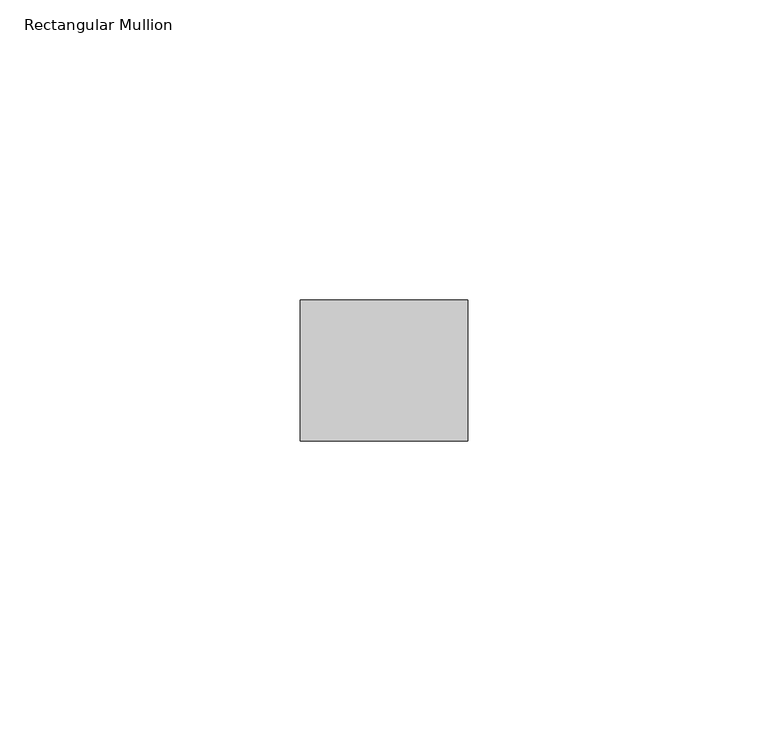
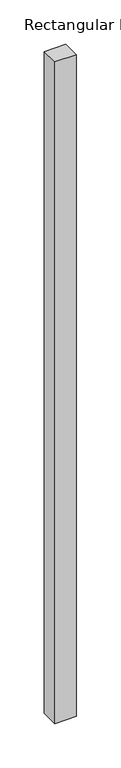
"""IFC4 building model written with IfcOpenShell, lengths in millimetres: member geometry, Rectangular Mullion."""

from ifc_helpers import new_model, si_unit, frame, origin, place, context, project, spatial, polyline, outline, extrude, source, transform, mapped, element, save


def rectangular_mullion_332579d4(model_context):
    return source(origin(), model_context, "Body", "SweptSolid", [
        extrude(outline(polyline([(0.0, -11.7474999), (-27.94, -11.7474999), (-27.94, 11.7474999), (0.0, 11.7474999), (0.0, -11.7474999)])), frame((0.0, 0.0, -908.05), z_axis=(0.0, 0.0, 1.0), x_axis=(1.0, 0.0, 0.0)), (0.0, 0.0, 1.0), 908.05),
    ])


if __name__ == "__main__":
    model = new_model("IFC4")
    model_context = context("Model", 3, world=origin())
    ifc_project = project(units=[si_unit("LENGTHUNIT", "METRE", prefix="MILLI")], contexts=[model_context])
    site = spatial("IfcSite", under=ifc_project)
    building = spatial("IfcBuilding", under=site)
    placement = place(None, origin())
    rectangular_mullion_shape = rectangular_mullion_332579d4(model_context)
    element("IfcMember", 1, ObjectType="Rectangular Mullion", at=placement, inside=building, context=model_context, shape_type="MappedRepresentation", body=[
        mapped(rectangular_mullion_shape, transform((0.0, 0.0, 0.0), x_axis=(1.0, 0.0, 0.0), y_axis=(0.0, 1.0, 0.0), z_axis=(0.0, 0.0, 1.0))),
    ])
    save(model, "model.ifc")
